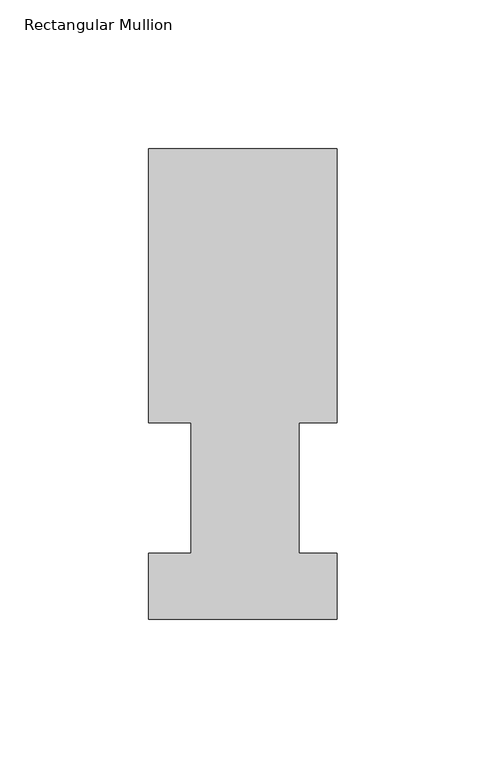
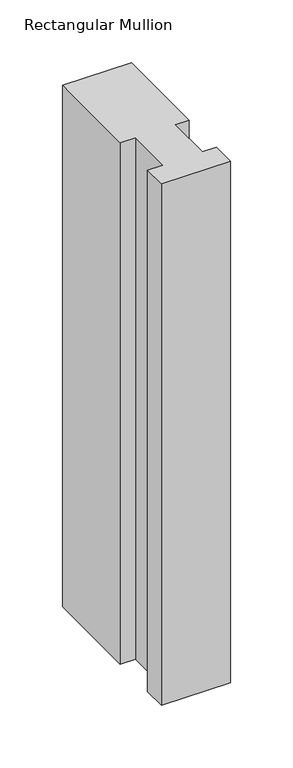
"""IFC4 building model written with IfcOpenShell, lengths in millimetres: member geometry, Rectangular Mullion."""

from ifc_helpers import new_model, si_unit, frame, origin, place, context, project, spatial, polyline, outline, extrude, source, transform, mapped, element, save


def rectangular_mullion_e1691a1e(model_context):
    return source(origin(), model_context, "Body", "SweptSolid", [
        extrude(outline(polyline([(-63.5, 158.2308875), (0.0, 158.2308875), (0.0, 66.0796875), (-12.8524, 66.0796875), (-12.8524, 22.1122875), (0.0, 22.1122875), (0.0, -0.0080424), (-63.5, -0.0080424), (-63.5, 22.1122875), (-49.2125, 22.1122875), (-49.2125, 66.0796875), (-63.5, 66.0796875), (-63.5, 158.2308875)])), frame((0.0, 0.0, -508.0), z_axis=(0.0, 0.0, 1.0), x_axis=(1.0, 0.0, 0.0)), (0.0, 0.0, 1.0), 508.0),
    ])


if __name__ == "__main__":
    model = new_model("IFC4")
    model_context = context("Model", 3, world=origin())
    ifc_project = project(units=[si_unit("LENGTHUNIT", "METRE", prefix="MILLI")], contexts=[model_context])
    site = spatial("IfcSite", under=ifc_project)
    building = spatial("IfcBuilding", under=site)
    placement = place(None, origin())
    rectangular_mullion_shape = rectangular_mullion_e1691a1e(model_context)
    element("IfcMember", 1, ObjectType="Rectangular Mullion", at=placement, inside=building, context=model_context, shape_type="MappedRepresentation", body=[
        mapped(rectangular_mullion_shape, transform((0.0, 0.0, 0.0), x_axis=(1.0, 0.0, 0.0), y_axis=(0.0, 1.0, 0.0), z_axis=(0.0, 0.0, 1.0))),
    ])
    save(model, "model.ifc")
